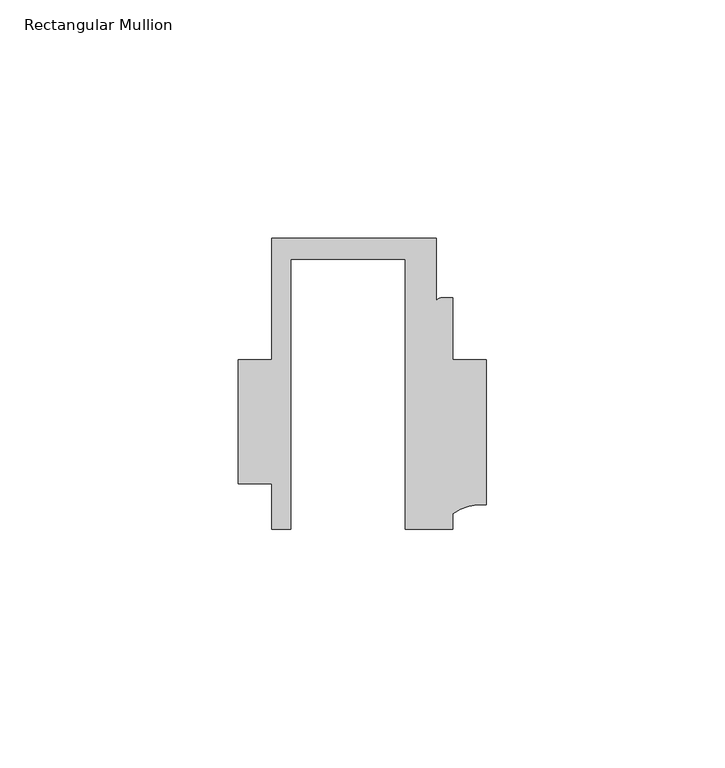
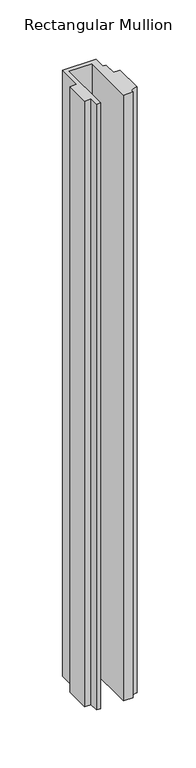
"""IFC4 building model written with IfcOpenShell, lengths in millimetres: member geometry, Rectangular Mullion."""

from ifc_helpers import new_model, si_unit, point, frame, frame_2d, origin, place, context, project, spatial, polyline, circle_curve, trimmed, segment, composite_curve, outline, extrude, source, transform, mapped, element, save


def rectangular_mullion_77519ae7(model_context):
    return source(origin(), model_context, "Body", "SweptSolid", [
        extrude(outline(composite_curve([segment(polyline([(-24.0309529, -20.5), (-28.0000482, -20.5), (-28.0000482, -10.9795682), (-34.9999873, -10.9795682), (-34.9999873, 15.001276), (-28.0000482, 15.001276), (-28.0000482, 40.499932), (6.5000029, 40.499932), (6.5000029, 27.0002131)]), True, "CONTINUOUS"), segment(trimmed(circle_curve(frame_2d((7.5000029, 27.0002131)), 1.0), [point((6.5000029, 27.0002131))], [point((7.5000029, 28.0002131))], False, "CARTESIAN"), True, "CONTINUOUS"), segment(polyline([(7.5000029, 28.0002131), (10.0000029, 28.0002131), (10.0000029, 15.0004617), (16.999942, 15.0004617), (16.999942, -15.3793686)]), True, "CONTINUOUS"), segment(trimmed(circle_curve(frame_2d((16.1098048, -25.7978024)), 10.4563907), [point((16.999942, -15.3793686))], [point((10.0000029, -17.3121423))], True, "CARTESIAN"), True, "CONTINUOUS"), segment(polyline([(10.0000029, -17.3121423), (10.0000029, -20.5), (0.0, -20.5), (0.0, 36.1008577), (-24.0309529, 36.1008577), (-24.0309529, -20.5)]), True, "CONTINUOUS")], self_intersect=False)), frame((0.0, 0.0, -662.0000913), z_axis=(0.0, 0.0, 1.0), x_axis=(1.0, 0.0, 0.0)), (0.0, 0.0, 1.0), 662.0000913),
    ])


if __name__ == "__main__":
    model = new_model("IFC4")
    model_context = context("Model", 3, world=origin())
    ifc_project = project(units=[si_unit("LENGTHUNIT", "METRE", prefix="MILLI")], contexts=[model_context])
    site = spatial("IfcSite", under=ifc_project)
    building = spatial("IfcBuilding", under=site)
    placement = place(None, origin())
    rectangular_mullion_shape = rectangular_mullion_77519ae7(model_context)
    element("IfcMember", 1, ObjectType="Rectangular Mullion", at=placement, inside=building, context=model_context, shape_type="MappedRepresentation", body=[
        mapped(rectangular_mullion_shape, transform((0.0, 0.0, 0.0), x_axis=(1.0, 0.0, 0.0), y_axis=(0.0, 1.0, 0.0), z_axis=(0.0, 0.0, 1.0))),
    ])
    save(model, "model.ifc")
